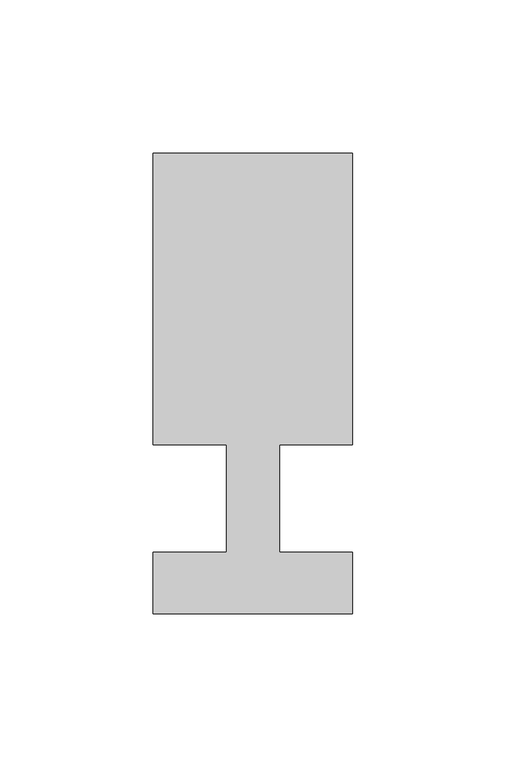
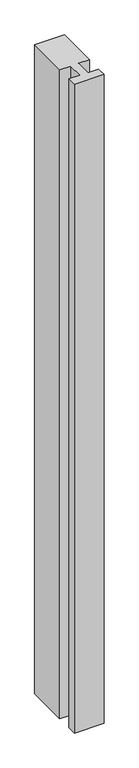
"""IFC4 building model written with IfcOpenShell, lengths in millimetres: member geometry."""

from ifc_helpers import new_model, si_unit, frame, origin, place, context, project, spatial, polyline, outline, extrude, source, transform, mapped, element, save


def member_ff44f45d(model_context):
    return source(origin(), model_context, "Body", "SweptSolid", [
        extrude(outline(polyline([(0.0, -37.0), (-65.0, -37.0), (-65.0, -17.0), (-41.1875, -17.0), (-41.1875, 18.0), (-65.0, 18.0), (-65.0, 113.0), (0.0, 113.0), (0.0, 18.0), (-23.8125, 18.0), (-23.8125, -17.0), (0.0, -17.0), (0.0, -37.0)])), frame((0.0, 0.0, -1500.0), z_axis=(0.0, 0.0, 1.0), x_axis=(1.0, 0.0, 0.0)), (0.0, 0.0, 1.0), 1500.0),
    ])


if __name__ == "__main__":
    model = new_model("IFC4")
    model_context = context("Model", 3, world=origin())
    ifc_project = project(units=[si_unit("LENGTHUNIT", "METRE", prefix="MILLI")], contexts=[model_context])
    site = spatial("IfcSite", under=ifc_project)
    building = spatial("IfcBuilding", under=site)
    placement = place(None, origin())
    member_shape = member_ff44f45d(model_context)
    element("IfcMember", 1, at=placement, inside=building, context=model_context, shape_type="MappedRepresentation", body=[
        mapped(member_shape, transform((0.0, 0.0, 0.0), x_axis=(1.0, 0.0, 0.0), y_axis=(0.0, 1.0, 0.0), z_axis=(0.0, 0.0, 1.0))),
    ])
    save(model, "model.ifc")
